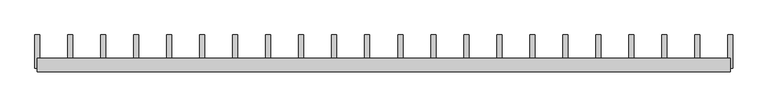
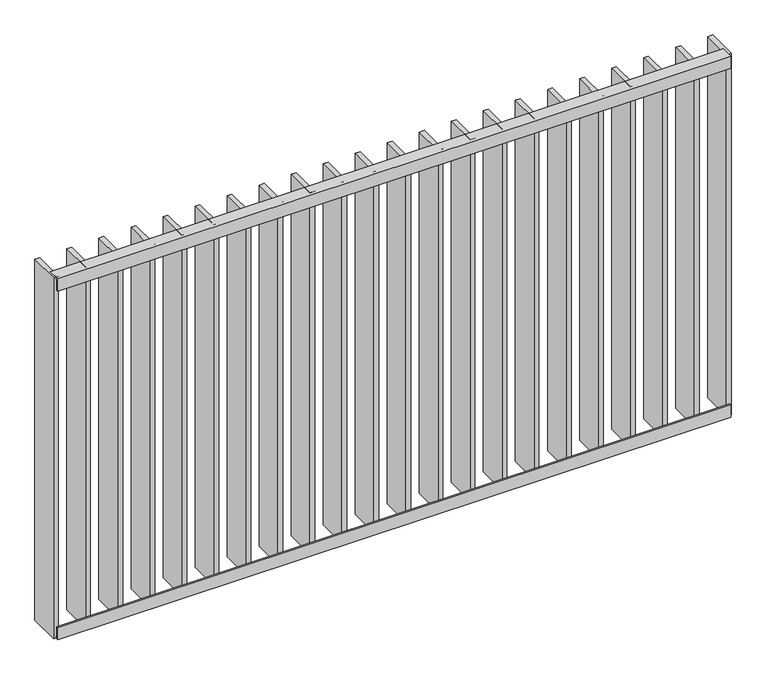
"""IFC4 building model written with IfcOpenShell, lengths in millimetres: railing geometry."""

from ifc_helpers import new_model, si_unit, frame, origin, place, context, project, spatial, polyline, outline, extrude, source, transform, mapped, element, save


def railing_39062e2a(model_context):
    return source(origin(), model_context, "Body", "SweptSolid", [
        extrude(outline(polyline([(-14.0, -6.0), (-14.0, -40.0), (-20.0, -40.0), (-20.0, 0.0), (20.0, 0.0), (20.0, -6.0), (-14.0, -6.0)])), frame((4609.5112064, 6384.7883888, 8000.0), z_axis=(1.0, -4.887999748549007e-12, 0.0), x_axis=(4.887999748549007e-12, 1.0, 0.0)), (0.0, 0.0, 1.0), 2080.0),
        extrude(outline(polyline([(-14.0, 6.0), (20.0, 6.0), (20.0, 0.0), (-20.0, 0.0), (-20.0, 40.0), (-14.0, 40.0), (-14.0, 6.0)])), frame((4609.5112064, 6384.7883888, 6820.0), z_axis=(1.0, -4.887999748549007e-12, 0.0), x_axis=(4.887999748549007e-12, 1.0, 0.0)), (0.0, 0.0, 1.0), 2080.0),
        extrude(outline(polyline([(6582.9635874, 6374.7883888), (6582.9635874, 6474.7883888), (6597.9635874, 6474.7883888), (6597.9635874, 6374.7883888), (6582.9635874, 6374.7883888)])), frame((0.0, 0.0, 6819.9), z_axis=(0.0, 0.0, 1.0), x_axis=(1.0, 0.0, 0.0)), (0.0, 0.0, 1.0), 1180.2),
        extrude(outline(polyline([(6483.9159683, 6374.7883888), (6483.9159683, 6474.7883888), (6498.9159683, 6474.7883888), (6498.9159683, 6374.7883888), (6483.9159683, 6374.7883888)])), frame((0.0, 0.0, 6819.9), z_axis=(0.0, 0.0, 1.0), x_axis=(1.0, 0.0, 0.0)), (0.0, 0.0, 1.0), 1180.2),
        extrude(outline(polyline([(6384.8683493, 6374.7883888), (6384.8683493, 6474.7883888), (6399.8683493, 6474.7883888), (6399.8683493, 6374.7883888), (6384.8683493, 6374.7883888)])), frame((0.0, 0.0, 6819.9), z_axis=(0.0, 0.0, 1.0), x_axis=(1.0, 0.0, 0.0)), (0.0, 0.0, 1.0), 1180.2),
        extrude(outline(polyline([(6285.8207302, 6374.7883888), (6285.8207302, 6474.7883888), (6300.8207302, 6474.7883888), (6300.8207302, 6374.7883888), (6285.8207302, 6374.7883888)])), frame((0.0, 0.0, 6819.9), z_axis=(0.0, 0.0, 1.0), x_axis=(1.0, 0.0, 0.0)), (0.0, 0.0, 1.0), 1180.2),
        extrude(outline(polyline([(6186.7731112, 6374.7883888), (6186.7731112, 6474.7883888), (6201.7731112, 6474.7883888), (6201.7731112, 6374.7883888), (6186.7731112, 6374.7883888)])), frame((0.0, 0.0, 6819.9), z_axis=(0.0, 0.0, 1.0), x_axis=(1.0, 0.0, 0.0)), (0.0, 0.0, 1.0), 1180.2),
        extrude(outline(polyline([(6087.7254921, 6374.7883888), (6087.7254921, 6474.7883888), (6102.7254921, 6474.7883888), (6102.7254921, 6374.7883888), (6087.7254921, 6374.7883888)])), frame((0.0, 0.0, 6819.9), z_axis=(0.0, 0.0, 1.0), x_axis=(1.0, 0.0, 0.0)), (0.0, 0.0, 1.0), 1180.2),
        extrude(outline(polyline([(5988.6778731, 6374.7883888), (5988.6778731, 6474.7883888), (6003.6778731, 6474.7883888), (6003.6778731, 6374.7883888), (5988.6778731, 6374.7883888)])), frame((0.0, 0.0, 6819.9), z_axis=(0.0, 0.0, 1.0), x_axis=(1.0, 0.0, 0.0)), (0.0, 0.0, 1.0), 1180.2),
        extrude(outline(polyline([(5889.630254, 6374.7883888), (5889.630254, 6474.7883888), (5904.630254, 6474.7883888), (5904.630254, 6374.7883888), (5889.630254, 6374.7883888)])), frame((0.0, 0.0, 6819.9), z_axis=(0.0, 0.0, 1.0), x_axis=(1.0, 0.0, 0.0)), (0.0, 0.0, 1.0), 1180.2),
        extrude(outline(polyline([(5790.582635, 6374.7883888), (5790.582635, 6474.7883888), (5805.582635, 6474.7883888), (5805.582635, 6374.7883888), (5790.582635, 6374.7883888)])), frame((0.0, 0.0, 6819.9), z_axis=(0.0, 0.0, 1.0), x_axis=(1.0, 0.0, 0.0)), (0.0, 0.0, 1.0), 1180.2),
        extrude(outline(polyline([(5691.5350159, 6374.7883888), (5691.5350159, 6474.7883888), (5706.5350159, 6474.7883888), (5706.5350159, 6374.7883888), (5691.5350159, 6374.7883888)])), frame((0.0, 0.0, 6819.9), z_axis=(0.0, 0.0, 1.0), x_axis=(1.0, 0.0, 0.0)), (0.0, 0.0, 1.0), 1180.2),
        extrude(outline(polyline([(5592.4873969, 6374.7883888), (5592.4873969, 6474.7883888), (5607.4873969, 6474.7883888), (5607.4873969, 6374.7883888), (5592.4873969, 6374.7883888)])), frame((0.0, 0.0, 6819.9), z_axis=(0.0, 0.0, 1.0), x_axis=(1.0, 0.0, 0.0)), (0.0, 0.0, 1.0), 1180.2),
        extrude(outline(polyline([(5493.4397778, 6374.7883888), (5493.4397778, 6474.7883888), (5508.4397778, 6474.7883888), (5508.4397778, 6374.7883888), (5493.4397778, 6374.7883888)])), frame((0.0, 0.0, 6819.9), z_axis=(0.0, 0.0, 1.0), x_axis=(1.0, 0.0, 0.0)), (0.0, 0.0, 1.0), 1180.2),
        extrude(outline(polyline([(5394.3921588, 6374.7883888), (5394.3921588, 6474.7883888), (5409.3921588, 6474.7883888), (5409.3921588, 6374.7883888), (5394.3921588, 6374.7883888)])), frame((0.0, 0.0, 6819.9), z_axis=(0.0, 0.0, 1.0), x_axis=(1.0, 0.0, 0.0)), (0.0, 0.0, 1.0), 1180.2),
        extrude(outline(polyline([(5295.3445398, 6374.7883888), (5295.3445398, 6474.7883888), (5310.3445398, 6474.7883888), (5310.3445398, 6374.7883888), (5295.3445398, 6374.7883888)])), frame((0.0, 0.0, 6819.9), z_axis=(0.0, 0.0, 1.0), x_axis=(1.0, 0.0, 0.0)), (0.0, 0.0, 1.0), 1180.2),
        extrude(outline(polyline([(5196.2969207, 6374.7883888), (5196.2969207, 6474.7883888), (5211.2969207, 6474.7883888), (5211.2969207, 6374.7883888), (5196.2969207, 6374.7883888)])), frame((0.0, 0.0, 6819.9), z_axis=(0.0, 0.0, 1.0), x_axis=(1.0, 0.0, 0.0)), (0.0, 0.0, 1.0), 1180.2),
        extrude(outline(polyline([(5097.2493017, 6374.7883888), (5097.2493017, 6474.7883888), (5112.2493017, 6474.7883888), (5112.2493017, 6374.7883888), (5097.2493017, 6374.7883888)])), frame((0.0, 0.0, 6819.9), z_axis=(0.0, 0.0, 1.0), x_axis=(1.0, 0.0, 0.0)), (0.0, 0.0, 1.0), 1180.2),
        extrude(outline(polyline([(4998.2016826, 6374.7883888), (4998.2016826, 6474.7883888), (5013.2016826, 6474.7883888), (5013.2016826, 6374.7883888), (4998.2016826, 6374.7883888)])), frame((0.0, 0.0, 6819.9), z_axis=(0.0, 0.0, 1.0), x_axis=(1.0, 0.0, 0.0)), (0.0, 0.0, 1.0), 1180.2),
        extrude(outline(polyline([(4899.1540636, 6374.7883888), (4899.1540636, 6474.7883888), (4914.1540636, 6474.7883888), (4914.1540636, 6374.7883888), (4899.1540636, 6374.7883888)])), frame((0.0, 0.0, 6819.9), z_axis=(0.0, 0.0, 1.0), x_axis=(1.0, 0.0, 0.0)), (0.0, 0.0, 1.0), 1180.2),
        extrude(outline(polyline([(4800.1064445, 6374.7883888), (4800.1064445, 6474.7883888), (4815.1064445, 6474.7883888), (4815.1064445, 6374.7883888), (4800.1064445, 6374.7883888)])), frame((0.0, 0.0, 6819.9), z_axis=(0.0, 0.0, 1.0), x_axis=(1.0, 0.0, 0.0)), (0.0, 0.0, 1.0), 1180.2),
        extrude(outline(polyline([(4701.0588255, 6374.7883888), (4701.0588255, 6474.7883888), (4716.0588255, 6474.7883888), (4716.0588255, 6374.7883888), (4701.0588255, 6374.7883888)])), frame((0.0, 0.0, 6819.9), z_axis=(0.0, 0.0, 1.0), x_axis=(1.0, 0.0, 0.0)), (0.0, 0.0, 1.0), 1180.2),
        extrude(outline(polyline([(6682.0112064, 6374.7883888), (6682.0112064, 6474.7883888), (6697.0112064, 6474.7883888), (6697.0112064, 6374.7883888), (6682.0112064, 6374.7883888)])), frame((0.0, 0.0, 6819.9), z_axis=(0.0, 0.0, 1.0), x_axis=(1.0, 0.0, 0.0)), (0.0, 0.0, 1.0), 1180.2),
        extrude(outline(polyline([(4602.0112064, 6374.7883888), (4602.0112064, 6474.7883888), (4617.0112064, 6474.7883888), (4617.0112064, 6374.7883888), (4602.0112064, 6374.7883888)])), frame((0.0, 0.0, 6819.9), z_axis=(0.0, 0.0, 1.0), x_axis=(1.0, 0.0, 0.0)), (0.0, 0.0, 1.0), 1180.2),
    ])


if __name__ == "__main__":
    model = new_model("IFC4")
    model_context = context("Model", 3, world=origin())
    ifc_project = project(units=[si_unit("LENGTHUNIT", "METRE", prefix="MILLI")], contexts=[model_context])
    site = spatial("IfcSite", under=ifc_project)
    building = spatial("IfcBuilding", under=site)
    placement = place(None, origin())
    railing_shape = railing_39062e2a(model_context)
    element("IfcRailing", 1, at=placement, inside=building, context=model_context, shape_type="MappedRepresentation", body=[
        mapped(railing_shape, transform((0.0, 0.0, 0.0), x_axis=(1.0, 0.0, 0.0), y_axis=(0.0, 1.0, 0.0), z_axis=(0.0, 0.0, 1.0))),
    ])
    save(model, "model.ifc")
